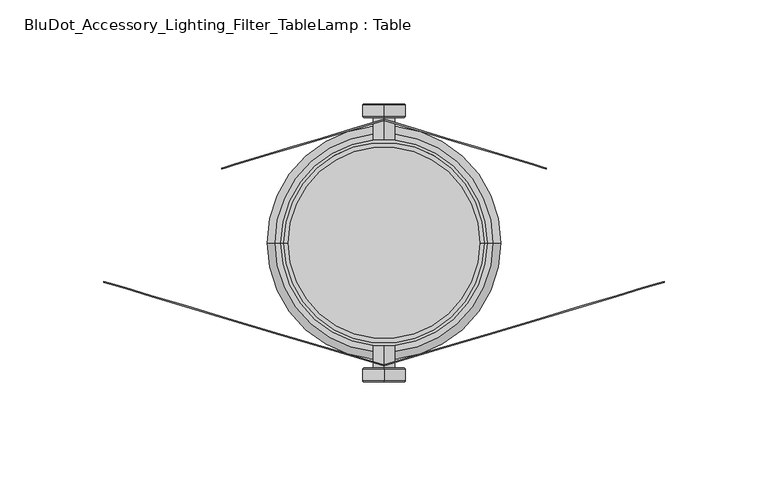
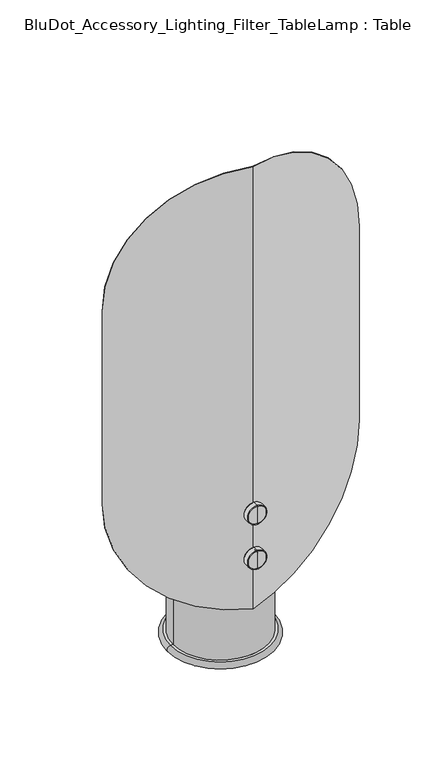
"""IFC4 building model written with IfcOpenShell, lengths in millimetres: furniture geometry, BluDot_Accessory_Lighting_Filter_TableLamp : Table."""

from ifc_helpers import new_model, si_unit, point, frame, frame_2d, origin, place, context, project, spatial, polyline, circle_curve, ellipse_curve, trimmed, segment, composite_curve, outline, extrude, source, transform, mapped, element, save
from ifc_brep_helpers import plane_surface, cylinder_surface, revolved_surface, advanced_brep


def bludot_accessory_lighting_filter_tablelamp_table_5ff7c8e4(model_context):
    return source(origin(), model_context, "Body", "SolidModel", [
        extrude(outline(composite_curve([segment(trimmed(circle_curve(frame_2d((0.0, 4.265619)), 46.093083), [point((-46.093083, 4.265619))], [point((46.093083, 4.265619))], False, "CARTESIAN"), True, "CONTINUOUS"), segment(trimmed(circle_curve(frame_2d((0.0, 4.265619)), 46.093083), [point((46.093083, 4.265619))], [point((-46.093083, 4.265619))], False, "CARTESIAN"), True, "CONTINUOUS")], self_intersect=False)), frame((0.0, 0.0, 104.0549807), z_axis=(0.0, 0.0, 1.0), x_axis=(1.0, 0.0, 0.0)), (0.0, 0.0, 1.0), 46.8472343),
        advanced_brep(
        [(0.0, 63.7269906, 102.882189), (0.0, 63.7269906, 360.1848765), (77.9982383, 40.3620038, 280.553097), (77.9982383, 40.3620038, 182.5139686), (0.0, 63.1966875, 360.1848765), (0.0, 63.1966875, 102.882189), (77.9982383, 39.8317007, 182.5139686), (77.9982383, 39.8317007, 280.553097), (-77.9982383, 40.3620038, 182.5139686), (-77.9982383, 40.3620038, 280.553097), (-77.9982383, 39.8317007, 280.553097), (-77.9982383, 39.8317007, 182.5139686)],
        [
            (0, 1),
            (1, 2, ellipse_curve(frame((-1.6506471, 64.2214549, 280.553097), z_axis=(0.28695930479430876, 0.9579427735475471, 0.0), x_axis=(-0.9579427735475471, 0.2869593047943084, 0.0)), 83.1457657, 79.6488854)),
            (2, 3),
            (3, 0, ellipse_curve(frame((-1.6506471, 64.2214549, 182.5139686), z_axis=(0.28695930479430876, 0.9579427735475471, 0.0), x_axis=(-0.9579427735475471, 0.2869593047943084, 0.0)), 83.1457657, 79.6488854)),
            (4, 5),
            (5, 6, ellipse_curve(frame((-1.6506471, 63.6911519, 182.5139686), z_axis=(-0.28695930479430903, -0.957942773547547, 0.0), x_axis=(-0.9579427735475471, 0.2869593047943089, 0.0)), 83.1457657, 79.6488854)),
            (6, 7),
            (7, 4, ellipse_curve(frame((-1.6506471, 63.6911519, 280.553097), z_axis=(-0.28695930479430903, -0.957942773547547, 0.0), x_axis=(-0.9579427735475471, 0.2869593047943089, 0.0)), 83.1457657, 79.6488854)),
            (0, 8, ellipse_curve(frame((1.6506471, 64.2214549, 182.5139686), z_axis=(-0.2869593047943089, 0.9579427735475471, 0.0), x_axis=(0.9579427735475472, 0.28695930479430826, 0.0)), 83.1457657, 79.6488854)),
            (8, 9),
            (9, 1, ellipse_curve(frame((1.6506471, 64.2214549, 280.553097), z_axis=(-0.2869593047943089, 0.9579427735475471, 0.0), x_axis=(0.9579427735475472, 0.28695930479430826, 0.0)), 83.1457657, 79.6488854)),
            (4, 10, ellipse_curve(frame((1.6506471, 63.6911519, 280.553097), z_axis=(0.2869593047943093, -0.9579427735475469, 0.0), x_axis=(0.9579427735475469, 0.2869593047943094, 0.0)), 83.1457657, 79.6488854)),
            (10, 11),
            (11, 5, ellipse_curve(frame((1.6506471, 63.6911519, 182.5139686), z_axis=(0.2869593047943093, -0.9579427735475469, 0.0), x_axis=(0.9579427735475469, 0.2869593047943094, 0.0)), 83.1457657, 79.6488854)),
            (8, 11),
            (10, 9),
            (4, 1),
            (7, 2),
            (6, 3),
            (5, 0),
        ],
        [
            plane_surface(frame((90.5259306, 36.6092349, 383.0495454), z_axis=(0.28695930479430876, 0.9579427735475471, 0.0), x_axis=(0.0, 0.0, -1.0))),
            plane_surface(frame((0.0, 63.1966875, 383.0495454), z_axis=(-0.28695930479430903, -0.957942773547547, 0.0), x_axis=(0.0, 0.0, -1.0))),
            plane_surface(frame((0.0, 63.7269906, 383.0495454), z_axis=(-0.2869593047943089, 0.9579427735475471, 0.0), x_axis=(0.0, 0.0, -1.0))),
            plane_surface(frame((-88.9445286, 36.5526533, 383.0495454), z_axis=(0.2869593047943093, -0.9579427735475469, 0.0), x_axis=(0.0, 0.0, -1.0))),
            plane_surface(frame((-77.9982383, 4.265619, 182.5139686), z_axis=(-1.0, 0.0, 0.0), x_axis=(0.0, 1.0, 0.0))),
            cylinder_surface(frame((1.6506471, 248.150141, 280.553097), z_axis=(0.0, 1.0, 0.0), x_axis=(-1.0, 0.0, 0.0)), 79.6488854),
            cylinder_surface(frame((-1.6506471, 248.150141, 280.553097), z_axis=(0.0, 1.0, 0.0), x_axis=(1.0, 0.0, 0.0)), 79.6488854),
            plane_surface(frame((77.9982383, 4.265619, 280.553097), z_axis=(1.0, 0.0, 0.0), x_axis=(0.0, 1.0, 0.0))),
            cylinder_surface(frame((-1.6506471, 248.150141, 182.5139686), z_axis=(0.0, 1.0, 0.0), x_axis=(1.0, 0.0, 0.0)), 79.6488854),
            cylinder_surface(frame((1.6506471, 248.150141, 182.5139686), z_axis=(0.0, 1.0, 0.0), x_axis=(-1.0, 0.0, 0.0)), 79.6488854),
        ],
        [
            (0, [[1, 2, 3, 4]]),
            (1, [[5, 6, 7, 8]]),
            (2, [[-1, 9, 10, 11]]),
            (3, [[-5, 12, 13, 14]]),
            (4, [[15, -13, 16, -10]]),
            (5, [[17, -11, -16, -12]]),
            (6, [[-17, -8, 18, -2]]),
            (7, [[-18, -7, 19, -3]]),
            (8, [[20, -4, -19, -6]]),
            (9, [[-20, -14, -15, -9]]),
        ],
    ),
        advanced_brep(
        [(0.0, -55.1957526, 553.9937857), (0.0, -55.1957526, 64.0989009), (134.8124479, -14.8116218, 201.8497433), (134.8124479, -14.8116218, 416.2429433), (0.0, -54.6654495, 64.0989009), (0.0, -54.6654495, 553.9937857), (134.8124479, -14.2813187, 416.2429433), (134.8124479, -14.2813187, 201.8497433), (-134.8124479, -14.2813187, 201.8497433), (-134.8124479, -14.2813187, 416.2429433), (-134.8124479, -14.8116218, 416.2429433), (-134.8124479, -14.8116218, 201.8497433)],
        [
            (0, 1),
            (1, 2, ellipse_curve(frame((-2.9704173, -56.0855645, 201.8497433), z_axis=(0.2869593047943087, -0.9579427735475471, 0.0), x_axis=(0.9579427735475472, 0.2869593047943085, 0.0)), 143.832042, 137.7828652)),
            (2, 3),
            (3, 0, ellipse_curve(frame((-2.9704173, -56.0855645, 416.2429433), z_axis=(0.2869593047943087, -0.9579427735475471, 0.0), x_axis=(0.9579427735475472, 0.2869593047943085, 0.0)), 143.832042, 137.7828652)),
            (4, 5),
            (5, 6, ellipse_curve(frame((-2.9704173, -55.5552615, 416.2429433), z_axis=(-0.286959304794309, 0.957942773547547, 0.0), x_axis=(0.957942773547547, 0.286959304794309, 0.0)), 143.832042, 137.7828652)),
            (6, 7),
            (7, 4, ellipse_curve(frame((-2.9704173, -55.5552615, 201.8497433), z_axis=(-0.286959304794309, 0.957942773547547, 0.0), x_axis=(0.957942773547547, 0.286959304794309, 0.0)), 143.832042, 137.7828652)),
            (4, 8, ellipse_curve(frame((2.9704173, -55.5552615, 201.8497433), z_axis=(0.2869593047943089, 0.9579427735475471, 0.0), x_axis=(-0.9579427735475472, 0.28695930479430826, 0.0)), 143.832042, 137.7828652)),
            (8, 9),
            (9, 5, ellipse_curve(frame((2.9704173, -55.5552615, 416.2429433), z_axis=(0.2869593047943089, 0.9579427735475471, 0.0), x_axis=(-0.9579427735475472, 0.28695930479430826, 0.0)), 143.832042, 137.7828652)),
            (0, 10, ellipse_curve(frame((2.9704173, -56.0855645, 416.2429433), z_axis=(-0.2869593047943089, -0.9579427735475471, 0.0), x_axis=(-0.9579427735475472, 0.28695930479430826, 0.0)), 143.832042, 137.7828652)),
            (10, 11),
            (11, 1, ellipse_curve(frame((2.9704173, -56.0855645, 201.8497433), z_axis=(-0.2869593047943089, -0.9579427735475471, 0.0), x_axis=(-0.9579427735475472, 0.28695930479430826, 0.0)), 143.832042, 137.7828652)),
            (1, 4),
            (7, 2),
            (11, 8),
            (10, 9),
            (0, 5),
            (3, 6),
        ],
        [
            plane_surface(frame((0.0, -55.1957526, 578.5450718), z_axis=(0.2869593047943087, -0.9579427735475471, 0.0), x_axis=(0.0, 0.0, -1.0))),
            plane_surface(frame((153.8495849, -8.5785943, 578.5450718), z_axis=(-0.286959304794309, 0.957942773547547, 0.0), x_axis=(0.0, 0.0, -1.0))),
            plane_surface(frame((0.0, -54.6654495, 578.5450718), z_axis=(0.2869593047943089, 0.9579427735475471, 0.0), x_axis=(0.0, 0.0, -1.0))),
            plane_surface(frame((-158.8332454, -7.6160026, 578.5450718), z_axis=(-0.2869593047943089, -0.9579427735475471, 0.0), x_axis=(0.0, 0.0, -1.0))),
            cylinder_surface(frame((-2.9704173, 4.265619, 201.8497433), z_axis=(0.0, 1.0, 0.0), x_axis=(1.0, 0.0, 0.0)), 137.7828652),
            cylinder_surface(frame((2.9704173, 4.265619, 201.8497433), z_axis=(0.0, 1.0, 0.0), x_axis=(-1.0, 0.0, 0.0)), 137.7828652),
            plane_surface(frame((-134.8124479, -94.2568683, 201.8497433), z_axis=(-1.0, 0.0, 0.0), x_axis=(0.0, 1.0, 0.0))),
            cylinder_surface(frame((2.9704173, 4.265619, 416.2429433), z_axis=(0.0, 1.0, 0.0), x_axis=(-1.0, 0.0, 0.0)), 137.7828652),
            cylinder_surface(frame((-2.9704173, 4.265619, 416.2429433), z_axis=(0.0, 1.0, 0.0), x_axis=(1.0, 0.0, 0.0)), 137.7828652),
            plane_surface(frame((134.8124479, -94.2568683, 416.2429433), z_axis=(1.0, 0.0, 0.0), x_axis=(0.0, 1.0, 0.0))),
        ],
        [
            (0, [[1, 2, 3, 4]]),
            (1, [[5, 6, 7, 8]]),
            (2, [[-5, 9, 10, 11]]),
            (3, [[-1, 12, 13, 14]]),
            (4, [[15, -8, 16, -2]]),
            (5, [[-15, -14, 17, -9]]),
            (6, [[-17, -13, 18, -10]]),
            (7, [[19, -11, -18, -12]]),
            (8, [[-19, -4, 20, -6]]),
            (9, [[-16, -7, -20, -3]]),
        ],
    ),
        advanced_brep(
        [(0.0, 52.4472587, 167.2403732), (0.0, 52.4472587, 177.3609401), (0.0, 64.4916913, 177.3609401), (0.0, 64.4916913, 167.2403732), (0.0, 64.4916913, 182.1588485), (0.0, 64.4916913, 162.4424648), (0.0, 65.1198052, 182.6321663), (0.0, 65.1198052, 161.969147), (0.0, 70.5830064, 182.6321663), (0.0, 70.5830064, 161.969147), (0.0, 71.1757537, 182.0394189), (0.0, 71.1757537, 162.5618944), (0.0, 71.1757537, 172.3006567), (0.0, 52.4472587, 172.3006567)],
        [
            (0, 1, circle_curve(frame((0.0, 52.4472587, 172.3006567), z_axis=(0.0, 1.0, 0.0), x_axis=(0.0, 0.0, 1.0)), 5.0602834)),
            (1, 2),
            (2, 3, circle_curve(frame((0.0, 64.4916913, 172.3006567), z_axis=(0.0, -1.0, 0.0), x_axis=(0.0, 0.0, 1.0)), 5.0602834)),
            (3, 0),
            (1, 0, circle_curve(frame((0.0, 52.4472587, 172.3006567), z_axis=(0.0, 1.0, 0.0), x_axis=(0.0, 0.0, 1.0)), 5.0602834)),
            (3, 2, circle_curve(frame((0.0, 64.4916913, 172.3006567), z_axis=(0.0, -1.0, 0.0), x_axis=(0.0, 0.0, 1.0)), 5.0602834)),
            (2, 4),
            (4, 5, circle_curve(frame((0.0, 64.4916913, 172.3006567), z_axis=(0.0, -1.0, 0.0), x_axis=(0.0, 0.0, 1.0)), 9.8581919)),
            (5, 3),
            (5, 4, circle_curve(frame((0.0, 64.4916913, 172.3006567), z_axis=(0.0, -1.0, 0.0), x_axis=(0.0, 0.0, 1.0)), 9.8581919)),
            (4, 6),
            (6, 7, circle_curve(frame((0.0, 65.1198052, 172.3006567), z_axis=(0.0, -1.0, 0.0), x_axis=(0.0, 0.0, 1.0)), 10.3315096)),
            (7, 5),
            (7, 6, circle_curve(frame((0.0, 65.1198052, 172.3006567), z_axis=(0.0, -1.0, 0.0), x_axis=(0.0, 0.0, 1.0)), 10.3315096)),
            (6, 8),
            (8, 9, circle_curve(frame((0.0, 70.5830064, 172.3006567), z_axis=(0.0, -1.0, 0.0), x_axis=(0.0, 0.0, 1.0)), 10.3315096)),
            (9, 7),
            (9, 8, circle_curve(frame((0.0, 70.5830064, 172.3006567), z_axis=(0.0, -1.0, 0.0), x_axis=(0.0, 0.0, 1.0)), 10.3315096)),
            (8, 10, circle_curve(frame((0.0, 70.5830064, 182.0394189), z_axis=(-1.0, 0.0, 0.0), x_axis=(0.0, 1.0, 0.0)), 0.5927474)),
            (10, 11, circle_curve(frame((0.0, 71.1757537, 172.3006567), z_axis=(0.0, -1.0, 0.0), x_axis=(0.0, 0.0, 1.0)), 9.7387623)),
            (11, 9, circle_curve(frame((0.0, 70.5830064, 162.5618944), z_axis=(-1.0, 0.0, 0.0), x_axis=(0.0, 1.0, 0.0)), 0.5927474)),
            (11, 10, circle_curve(frame((0.0, 71.1757537, 172.3006567), z_axis=(0.0, -1.0, 0.0), x_axis=(0.0, 0.0, 1.0)), 9.7387623)),
            (10, 12),
            (12, 11),
            (13, 1),
            (0, 13),
        ],
        [
            cylinder_surface(frame((0.0, 46.0972587, 172.3006567), z_axis=(0.0, -1.0, 0.0), x_axis=(0.0, 0.0, 1.0)), 5.0602834),
            plane_surface(frame((0.0, 64.4916913, 172.3006567), z_axis=(0.0, -1.0, 0.0), x_axis=(0.0, 0.0, 1.0))),
            revolved_surface(polyline([(0.0, 65.1198052, 182.6321663), (0.0, 64.4916913, 182.1588485)]), (0.0, 46.0972587, 172.3006567), (0.0, -1.0, 0.0)),
            cylinder_surface(frame((0.0, 46.0972587, 172.3006567), z_axis=(0.0, -1.0, 0.0), x_axis=(0.0, 0.0, 1.0)), 10.3315096),
            revolved_surface(trimmed(ellipse_curve(frame((0.0, 70.5830064, 182.0394189), z_axis=(1.0, 0.0, 0.0), x_axis=(0.0, 1.0, 0.0)), 0.5927474, 0.5927474), [point((0.0, 71.1757537, 182.0394189))], [point((0.0, 70.5830064, 182.6321663))], True, "CARTESIAN"), (0.0, 46.0972587, 172.3006567), (0.0, -1.0, 0.0)),
            plane_surface(frame((0.0, 71.1757537, 172.3006567), z_axis=(0.0, 1.0, 0.0), x_axis=(0.0, 0.0, 1.0))),
            plane_surface(frame((0.0, 52.4472587, 172.3006567), z_axis=(0.0, -1.0, 0.0), x_axis=(0.0, 0.0, 1.0))),
        ],
        [
            (0, [[1, 2, 3, 4]]),
            (0, [[5, -4, 6, -2]]),
            (1, [[-3, 7, 8, 9]]),
            (1, [[-6, -9, 10, -7]]),
            (2, [[-8, 11, 12, 13]]),
            (2, [[-10, -13, 14, -11]]),
            (3, [[-12, 15, 16, 17]]),
            (3, [[-14, -17, 18, -15]]),
            (4, [[-16, 19, 20, 21]]),
            (4, [[-18, -21, 22, -19]]),
            (5, [[-20, 23, 24]]),
            (5, [[-22, -24, -23]]),
            (6, [[25, -1, 26]]),
            (6, [[-26, -5, -25]]),
        ],
    ),
        advanced_brep(
        [(0.0, -55.9604533, 117.523922), (0.0, -55.9604533, 127.6444889), (0.0, -43.9160207, 127.6444889), (0.0, -43.9160207, 117.523922), (0.0, -55.9604533, 112.7260136), (0.0, -55.9604533, 132.4423973), (0.0, -56.5885672, 112.2526958), (0.0, -56.5885672, 132.9157151), (0.0, -62.0517684, 112.2526958), (0.0, -62.0517684, 132.9157151), (0.0, -62.6445157, 112.8454432), (0.0, -62.6445157, 132.3229677), (0.0, -62.6445157, 122.5842055), (0.0, -43.9160207, 122.5842055)],
        [
            (0, 1, circle_curve(frame((0.0, -55.9604533, 122.5842055), z_axis=(0.0, 1.0, 0.0), x_axis=(0.0, 0.0, 1.0)), 5.0602834)),
            (1, 2),
            (2, 3, circle_curve(frame((0.0, -43.9160207, 122.5842055), z_axis=(0.0, -1.0, 0.0), x_axis=(0.0, 0.0, 1.0)), 5.0602834)),
            (3, 0),
            (1, 0, circle_curve(frame((0.0, -55.9604533, 122.5842055), z_axis=(0.0, 1.0, 0.0), x_axis=(0.0, 0.0, 1.0)), 5.0602834)),
            (3, 2, circle_curve(frame((0.0, -43.9160207, 122.5842055), z_axis=(0.0, -1.0, 0.0), x_axis=(0.0, 0.0, 1.0)), 5.0602834)),
            (4, 5, circle_curve(frame((0.0, -55.9604533, 122.5842055), z_axis=(0.0, 1.0, 0.0), x_axis=(0.0, 0.0, 1.0)), 9.8581919)),
            (5, 1),
            (0, 4),
            (5, 4, circle_curve(frame((0.0, -55.9604533, 122.5842055), z_axis=(0.0, 1.0, 0.0), x_axis=(0.0, 0.0, 1.0)), 9.8581919)),
            (6, 7, circle_curve(frame((0.0, -56.5885672, 122.5842055), z_axis=(0.0, 1.0, 0.0), x_axis=(0.0, 0.0, 1.0)), 10.3315096)),
            (7, 5),
            (4, 6),
            (7, 6, circle_curve(frame((0.0, -56.5885672, 122.5842055), z_axis=(0.0, 1.0, 0.0), x_axis=(0.0, 0.0, 1.0)), 10.3315096)),
            (8, 9, circle_curve(frame((0.0, -62.0517684, 122.5842055), z_axis=(0.0, 1.0, 0.0), x_axis=(0.0, 0.0, 1.0)), 10.3315096)),
            (9, 7),
            (6, 8),
            (9, 8, circle_curve(frame((0.0, -62.0517684, 122.5842055), z_axis=(0.0, 1.0, 0.0), x_axis=(0.0, 0.0, 1.0)), 10.3315096)),
            (10, 11, circle_curve(frame((0.0, -62.6445157, 122.5842055), z_axis=(0.0, 1.0, 0.0), x_axis=(0.0, 0.0, 1.0)), 9.7387623)),
            (11, 9, circle_curve(frame((0.0, -62.0517684, 132.3229677), z_axis=(-1.0, 0.0, 0.0), x_axis=(0.0, -1.0, 0.0)), 0.5927474)),
            (8, 10, circle_curve(frame((0.0, -62.0517684, 112.8454432), z_axis=(-1.0, 0.0, 0.0), x_axis=(0.0, -1.0, 0.0)), 0.5927474)),
            (11, 10, circle_curve(frame((0.0, -62.6445157, 122.5842055), z_axis=(0.0, 1.0, 0.0), x_axis=(0.0, 0.0, 1.0)), 9.7387623)),
            (12, 11),
            (10, 12),
            (2, 13),
            (13, 3),
        ],
        [
            cylinder_surface(frame((0.0, -37.5660207, 122.5842055), z_axis=(0.0, -1.0, 0.0), x_axis=(0.0, 0.0, 1.0)), 5.0602834),
            plane_surface(frame((0.0, -55.9604533, 122.5842055), z_axis=(0.0, 1.0, 0.0), x_axis=(0.0, 0.0, 1.0))),
            revolved_surface(polyline([(0.0, -55.9604533, 132.4423973), (0.0, -56.5885672, 132.9157151)]), (0.0, -37.5660207, 122.5842055), (0.0, -1.0, 0.0)),
            cylinder_surface(frame((0.0, -37.5660207, 122.5842055), z_axis=(0.0, -1.0, 0.0), x_axis=(0.0, 0.0, 1.0)), 10.3315096),
            revolved_surface(trimmed(ellipse_curve(frame((0.0, -62.0517684, 132.3229677), z_axis=(1.0, 0.0, 0.0), x_axis=(0.0, -1.0, 0.0)), 0.5927474, 0.5927474), [point((0.0, -62.0517684, 132.9157151))], [point((0.0, -62.6445157, 132.3229677))], True, "CARTESIAN"), (0.0, -37.5660207, 122.5842055), (0.0, -1.0, 0.0)),
            plane_surface(frame((0.0, -62.6445157, 122.5842055), z_axis=(0.0, -1.0, 0.0), x_axis=(0.0, 0.0, 1.0))),
            plane_surface(frame((0.0, -43.9160207, 122.5842055), z_axis=(0.0, 1.0, 0.0), x_axis=(0.0, 0.0, 1.0))),
        ],
        [
            (0, [[1, 2, 3, 4]]),
            (0, [[5, -4, 6, -2]]),
            (1, [[7, 8, -1, 9]]),
            (1, [[10, -9, -5, -8]]),
            (2, [[11, 12, -7, 13]]),
            (2, [[14, -13, -10, -12]]),
            (3, [[15, 16, -11, 17]]),
            (3, [[18, -17, -14, -16]]),
            (4, [[19, 20, -15, 21]]),
            (4, [[22, -21, -18, -20]]),
            (5, [[23, -19, 24]]),
            (5, [[-24, -22, -23]]),
            (6, [[-3, 25, 26]]),
            (6, [[-6, -26, -25]]),
        ],
    ),
        advanced_brep(
        [(0.0, -55.9604533, 167.2403732), (0.0, -55.9604533, 177.3609401), (0.0, -43.9160207, 177.3609401), (0.0, -43.9160207, 167.2403732), (0.0, -55.9604533, 162.4424648), (0.0, -55.9604533, 182.1588485), (0.0, -56.5885672, 161.969147), (0.0, -56.5885672, 182.6321663), (0.0, -62.0517684, 161.969147), (0.0, -62.0517684, 182.6321663), (0.0, -62.6445157, 162.5618944), (0.0, -62.6445157, 182.0394189), (0.0, -62.6445157, 172.3006567), (0.0, -43.9160207, 172.3006567)],
        [
            (0, 1, circle_curve(frame((0.0, -55.9604533, 172.3006567), z_axis=(0.0, 1.0, 0.0), x_axis=(0.0, 0.0, 1.0)), 5.0602834)),
            (1, 2),
            (2, 3, circle_curve(frame((0.0, -43.9160207, 172.3006567), z_axis=(0.0, -1.0, 0.0), x_axis=(0.0, 0.0, 1.0)), 5.0602834)),
            (3, 0),
            (1, 0, circle_curve(frame((0.0, -55.9604533, 172.3006567), z_axis=(0.0, 1.0, 0.0), x_axis=(0.0, 0.0, 1.0)), 5.0602834)),
            (3, 2, circle_curve(frame((0.0, -43.9160207, 172.3006567), z_axis=(0.0, -1.0, 0.0), x_axis=(0.0, 0.0, 1.0)), 5.0602834)),
            (4, 5, circle_curve(frame((0.0, -55.9604533, 172.3006567), z_axis=(0.0, 1.0, 0.0), x_axis=(0.0, 0.0, 1.0)), 9.8581919)),
            (5, 1),
            (0, 4),
            (5, 4, circle_curve(frame((0.0, -55.9604533, 172.3006567), z_axis=(0.0, 1.0, 0.0), x_axis=(0.0, 0.0, 1.0)), 9.8581919)),
            (6, 7, circle_curve(frame((0.0, -56.5885672, 172.3006567), z_axis=(0.0, 1.0, 0.0), x_axis=(0.0, 0.0, 1.0)), 10.3315096)),
            (7, 5),
            (4, 6),
            (7, 6, circle_curve(frame((0.0, -56.5885672, 172.3006567), z_axis=(0.0, 1.0, 0.0), x_axis=(0.0, 0.0, 1.0)), 10.3315096)),
            (8, 9, circle_curve(frame((0.0, -62.0517684, 172.3006567), z_axis=(0.0, 1.0, 0.0), x_axis=(0.0, 0.0, 1.0)), 10.3315096)),
            (9, 7),
            (6, 8),
            (9, 8, circle_curve(frame((0.0, -62.0517684, 172.3006567), z_axis=(0.0, 1.0, 0.0), x_axis=(0.0, 0.0, 1.0)), 10.3315096)),
            (10, 11, circle_curve(frame((0.0, -62.6445157, 172.3006567), z_axis=(0.0, 1.0, 0.0), x_axis=(0.0, 0.0, 1.0)), 9.7387623)),
            (11, 9, circle_curve(frame((0.0, -62.0517684, 182.0394189), z_axis=(-1.0, 0.0, 0.0), x_axis=(0.0, -1.0, 0.0)), 0.5927474)),
            (8, 10, circle_curve(frame((0.0, -62.0517684, 162.5618944), z_axis=(-1.0, 0.0, 0.0), x_axis=(0.0, -1.0, 0.0)), 0.5927474)),
            (11, 10, circle_curve(frame((0.0, -62.6445157, 172.3006567), z_axis=(0.0, 1.0, 0.0), x_axis=(0.0, 0.0, 1.0)), 9.7387623)),
            (12, 11),
            (10, 12),
            (2, 13),
            (13, 3),
        ],
        [
            cylinder_surface(frame((0.0, -37.5660207, 172.3006567), z_axis=(0.0, -1.0, 0.0), x_axis=(0.0, 0.0, 1.0)), 5.0602834),
            plane_surface(frame((0.0, -55.9604533, 172.3006567), z_axis=(0.0, 1.0, 0.0), x_axis=(0.0, 0.0, 1.0))),
            revolved_surface(polyline([(0.0, -55.9604533, 182.1588485), (0.0, -56.5885672, 182.6321663)]), (0.0, -37.5660207, 172.3006567), (0.0, -1.0, 0.0)),
            cylinder_surface(frame((0.0, -37.5660207, 172.3006567), z_axis=(0.0, -1.0, 0.0), x_axis=(0.0, 0.0, 1.0)), 10.3315096),
            revolved_surface(trimmed(ellipse_curve(frame((0.0, -62.0517684, 182.0394189), z_axis=(1.0, 0.0, 0.0), x_axis=(0.0, -1.0, 0.0)), 0.5927474, 0.5927474), [point((0.0, -62.0517684, 182.6321663))], [point((0.0, -62.6445157, 182.0394189))], True, "CARTESIAN"), (0.0, -37.5660207, 172.3006567), (0.0, -1.0, 0.0)),
            plane_surface(frame((0.0, -62.6445157, 172.3006567), z_axis=(0.0, -1.0, 0.0), x_axis=(0.0, 0.0, 1.0))),
            plane_surface(frame((0.0, -43.9160207, 172.3006567), z_axis=(0.0, 1.0, 0.0), x_axis=(0.0, 0.0, 1.0))),
        ],
        [
            (0, [[1, 2, 3, 4]]),
            (0, [[5, -4, 6, -2]]),
            (1, [[7, 8, -1, 9]]),
            (1, [[10, -9, -5, -8]]),
            (2, [[11, 12, -7, 13]]),
            (2, [[14, -13, -10, -12]]),
            (3, [[15, 16, -11, 17]]),
            (3, [[18, -17, -14, -16]]),
            (4, [[19, 20, -15, 21]]),
            (4, [[22, -21, -18, -20]]),
            (5, [[23, -19, 24]]),
            (5, [[-24, -22, -23]]),
            (6, [[-3, 25, 26]]),
            (6, [[-6, -26, -25]]),
        ],
    ),
        advanced_brep(
        [(-49.6574922, 4.265619, 203.2000061), (49.6574922, 4.265619, 203.2000061), (49.6574922, 4.265619, 5.5761721), (-49.6574922, 4.265619, 5.5761721), (-48.3874922, 4.265619, 203.2000061), (48.3874922, 4.265619, 203.2000061), (-55.7171287, 4.265619, 0.0), (55.7171287, 4.265619, 0.0), (0.0, 4.265619, 0.0), (0.0, 4.265619, 5.5761721), (48.3874922, 4.265619, 5.5761721), (-48.3874922, 4.265619, 5.5761721), (-52.6525974, 4.265619, 5.5761721), (52.6525974, 4.265619, 5.5761721)],
        [
            (0, 1, circle_curve(frame((0.0, 4.265619, 203.2000061), z_axis=(0.0, 0.0, -1.0), x_axis=(1.0, 0.0, 0.0)), 49.6574922)),
            (1, 2),
            (2, 3, circle_curve(frame((0.0, 4.265619, 5.5761721), z_axis=(0.0, 0.0, 1.0), x_axis=(1.0, 0.0, 0.0)), 49.6574922)),
            (3, 0),
            (1, 0, circle_curve(frame((0.0, 4.265619, 203.2000061), z_axis=(0.0, 0.0, -1.0), x_axis=(1.0, 0.0, 0.0)), 49.6574922)),
            (3, 2, circle_curve(frame((0.0, 4.265619, 5.5761721), z_axis=(0.0, 0.0, 1.0), x_axis=(1.0, 0.0, 0.0)), 49.6574922)),
            (4, 5, circle_curve(frame((0.0, 4.265619, 203.2000061), z_axis=(0.0, 0.0, -1.0), x_axis=(1.0, 0.0, 0.0)), 48.3874922)),
            (5, 1),
            (0, 4),
            (5, 4, circle_curve(frame((0.0, 4.265619, 203.2000061), z_axis=(0.0, 0.0, -1.0), x_axis=(1.0, 0.0, 0.0)), 48.3874922)),
            (6, 7, circle_curve(frame((0.0, 4.265619, 0.0), z_axis=(0.0, 0.0, -1.0), x_axis=(1.0, 0.0, 0.0)), 55.7171287)),
            (7, 8),
            (8, 6),
            (7, 6, circle_curve(frame((0.0, 4.265619, 0.0), z_axis=(0.0, 0.0, -1.0), x_axis=(1.0, 0.0, 0.0)), 55.7171287)),
            (9, 10),
            (10, 11, circle_curve(frame((0.0, 4.265619, 5.5761721), z_axis=(0.0, 0.0, 1.0), x_axis=(1.0, 0.0, 0.0)), 48.3874922)),
            (11, 9),
            (11, 10, circle_curve(frame((0.0, 4.265619, 5.5761721), z_axis=(0.0, 0.0, 1.0), x_axis=(1.0, 0.0, 0.0)), 48.3874922)),
            (10, 5),
            (4, 11),
            (12, 13, circle_curve(frame((0.0, 4.265619, 5.5761721), z_axis=(0.0, 0.0, -1.0), x_axis=(1.0, 0.0, 0.0)), 52.6525974)),
            (13, 7, circle_curve(frame((52.6525974, 4.265619, 1.9459893), z_axis=(0.0, 1.0, 0.0), x_axis=(1.0, 0.0, 0.0)), 3.6301828)),
            (6, 12, circle_curve(frame((-52.6525974, 4.265619, 1.9459893), z_axis=(0.0, 1.0, 0.0), x_axis=(-1.0, 0.0, 0.0)), 3.6301828)),
            (13, 12, circle_curve(frame((0.0, 4.265619, 5.5761721), z_axis=(0.0, 0.0, -1.0), x_axis=(1.0, 0.0, 0.0)), 52.6525974)),
            (2, 13),
            (12, 3),
        ],
        [
            cylinder_surface(frame((0.0, 4.265619, 254.0000061), z_axis=(0.0, 0.0, 1.0), x_axis=(1.0, 0.0, 0.0)), 49.6574922),
            plane_surface(frame((0.0, 4.265619, 203.2000061), z_axis=(0.0, 0.0, 1.0), x_axis=(1.0, 0.0, 0.0))),
            plane_surface(frame((0.0, 4.265619, 0.0), z_axis=(0.0, 0.0, -1.0), x_axis=(1.0, 0.0, 0.0))),
            plane_surface(frame((0.0, 4.265619, 5.5761721), z_axis=(0.0, 0.0, 1.0), x_axis=(1.0, 0.0, 0.0))),
            revolved_surface(polyline([(48.3874922, 4.265619, 203.2000061), (48.3874922, 4.265619, 5.576172100000008)]), (0.0, 4.265619, 254.0000061), (0.0, 0.0, 1.0)),
            revolved_surface(trimmed(ellipse_curve(frame((52.6525974, 4.265619, 1.9459893), z_axis=(0.0, -1.0, 0.0), x_axis=(1.0, 0.0, 0.0)), 3.6301828, 3.6301828), [point((55.7171287, 4.265619, 0.0))], [point((52.6525974, 4.265619, 5.5761721))], True, "CARTESIAN"), (0.0, 4.265619, 254.0000061), (0.0, 0.0, 1.0)),
        ],
        [
            (0, [[1, 2, 3, 4]]),
            (0, [[5, -4, 6, -2]]),
            (1, [[7, 8, -1, 9]]),
            (1, [[10, -9, -5, -8]]),
            (2, [[11, 12, 13]]),
            (2, [[14, -13, -12]]),
            (3, [[15, 16, 17]]),
            (3, [[-17, 18, -15]]),
            (4, [[-16, 19, -7, 20]]),
            (4, [[-18, -20, -10, -19]]),
            (5, [[21, 22, -11, 23]]),
            (5, [[24, -23, -14, -22]]),
            (3, [[-3, 25, -21, 26]]),
            (3, [[-6, -26, -24, -25]]),
        ],
    ),
    ])


if __name__ == "__main__":
    model = new_model("IFC4")
    model_context = context("Model", 3, world=origin())
    ifc_project = project(units=[si_unit("LENGTHUNIT", "METRE", prefix="MILLI")], contexts=[model_context])
    site = spatial("IfcSite", under=ifc_project)
    building = spatial("IfcBuilding", under=site)
    placement = place(None, origin())
    bludot_accessory_lighting_filter_tablelamp_table_shape = bludot_accessory_lighting_filter_tablelamp_table_5ff7c8e4(model_context)
    element("IfcFurniture", 1, ObjectType="BluDot_Accessory_Lighting_Filter_TableLamp : Table", at=placement, inside=building, context=model_context, shape_type="MappedRepresentation", body=[
        mapped(bludot_accessory_lighting_filter_tablelamp_table_shape, transform((0.0, 0.0, 0.0), x_axis=(1.0, 0.0, 0.0), y_axis=(0.0, 1.0, 0.0), z_axis=(0.0, 0.0, 1.0))),
    ])
    save(model, "model.ifc")
